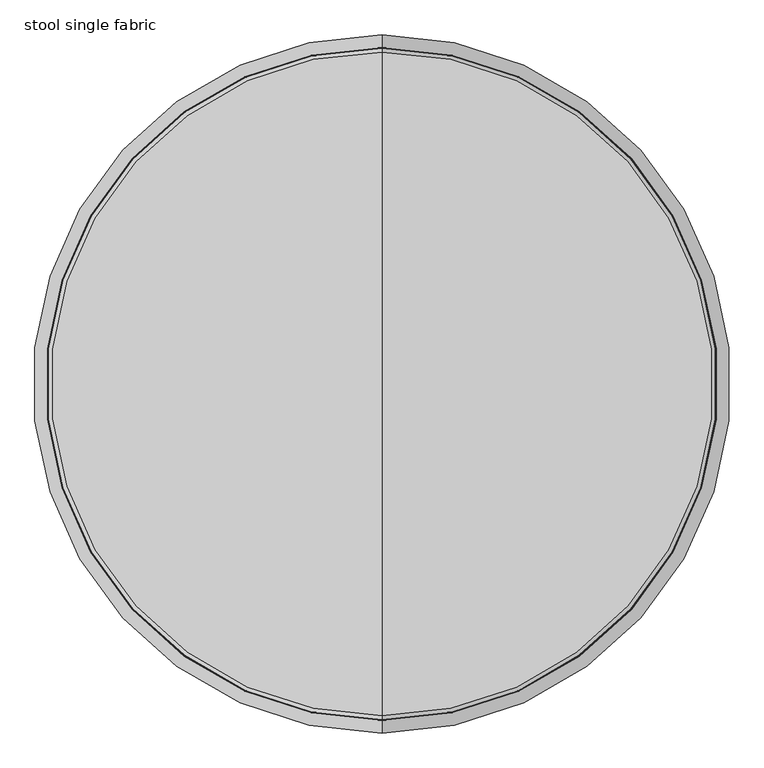
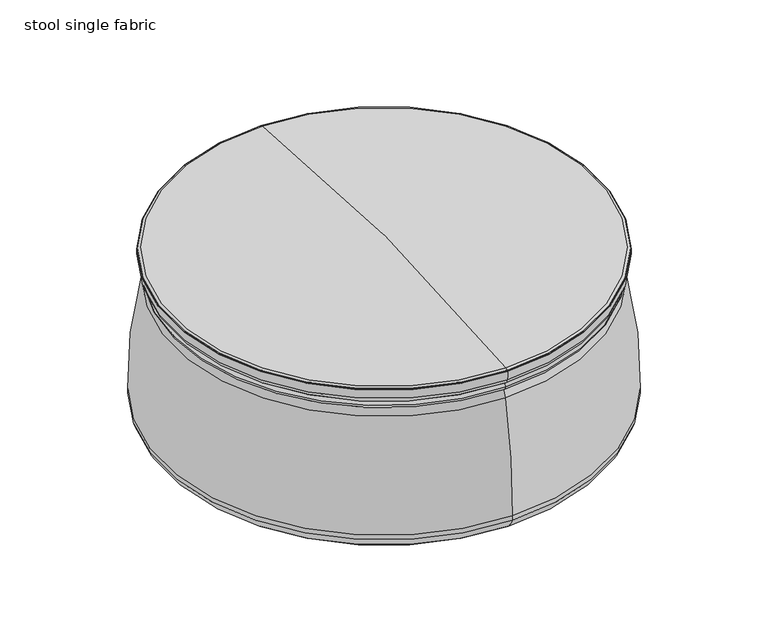
"""IFC4 building model written with IfcOpenShell, lengths in millimetres: furniture geometry, stool single fabric."""

from ifc_helpers import new_model, si_unit, point, frame, origin, place, context, project, spatial, circle_curve, ellipse_curve, trimmed, source, transform, mapped, element, save
from ifc_brep_helpers import plane_surface, cylinder_surface, revolved_surface, advanced_brep


def stool_single_fabric_2f89a8de(model_context):
    return source(origin(), model_context, "Body", "AdvancedBrep", [
        advanced_brep(
        [(0.0, 565.9825558, 401.5956762), (0.0, -565.9825558, 401.5956762), (0.0, -543.9825558, 401.5956762), (0.0, 543.9825558, 401.5956762)],
        [
            (0, 1, circle_curve(frame((0.0, 0.0, 401.5956762), z_axis=(0.0, 0.0, 1.0), x_axis=(0.0, -1.0, 0.0)), 565.9825558)),
            (1, 2, circle_curve(frame((0.0, -554.9825558, 401.5956762), z_axis=(-1.0, 0.0, 0.0), x_axis=(0.0, -1.0, 0.0)), 11.0)),
            (2, 3, circle_curve(frame((0.0, 0.0, 401.5956762), z_axis=(0.0, 0.0, -1.0), x_axis=(0.0, -1.0, 0.0)), 543.9825558)),
            (3, 0, circle_curve(frame((0.0, 554.9825558, 401.5956762), z_axis=(-1.0, 0.0, 0.0), x_axis=(0.0, 1.0, 0.0)), 11.0)),
            (2, 1, circle_curve(frame((0.0, -554.9825558, 401.5956762), z_axis=(-1.0, 0.0, 0.0), x_axis=(0.0, -1.0, 0.0)), 11.0)),
            (0, 3, circle_curve(frame((0.0, 554.9825558, 401.5956762), z_axis=(-1.0, 0.0, 0.0), x_axis=(0.0, 1.0, 0.0)), 11.0)),
            (1, 0, circle_curve(frame((0.0, 0.0, 401.5956762), z_axis=(0.0, 0.0, 1.0), x_axis=(0.0, 1.0, 0.0)), 565.9825558)),
            (3, 2, circle_curve(frame((0.0, 0.0, 401.5956762), z_axis=(0.0, 0.0, -1.0), x_axis=(0.0, 1.0, 0.0)), 543.9825558)),
        ],
        [
            revolved_surface(trimmed(ellipse_curve(frame((0.0, -554.9825558, 401.5956762), z_axis=(1.0, 0.0, 0.0), x_axis=(0.0, -1.0, 0.0)), 11.0, 11.0), [point((0.0, -543.9825558, 401.5956762))], [point((0.0, -565.9825558, 401.5956762))], True, "CARTESIAN"), (0.0, 0.0, 401.5956762), (0.0, 0.0, -1.0)),
            revolved_surface(trimmed(ellipse_curve(frame((0.0, -554.9825558, 401.5956762), z_axis=(1.0, 0.0, 0.0), x_axis=(0.0, -1.0, 0.0)), 11.0, 11.0), [point((0.0, -565.9825558, 401.5956762))], [point((0.0, -543.9825558, 401.5956762))], True, "CARTESIAN"), (0.0, 0.0, 401.5956762), (0.0, 0.0, -1.0)),
            revolved_surface(trimmed(ellipse_curve(frame((0.0, 554.9825558, 401.5956762), z_axis=(-1.0, 0.0, 0.0), x_axis=(0.0, 1.0, 0.0)), 11.0, 11.0), [point((0.0, 543.9825558, 401.5956762))], [point((0.0, 565.9825558, 401.5956762))], True, "CARTESIAN"), (0.0, 0.0, 401.5956762), (0.0, 0.0, -1.0)),
            revolved_surface(trimmed(ellipse_curve(frame((0.0, 554.9825558, 401.5956762), z_axis=(-1.0, 0.0, 0.0), x_axis=(0.0, 1.0, 0.0)), 11.0, 11.0), [point((0.0, 565.9825558, 401.5956762))], [point((0.0, 543.9825558, 401.5956762))], True, "CARTESIAN"), (0.0, 0.0, 401.5956762), (0.0, 0.0, -1.0)),
        ],
        [
            (0, [[1, 2, 3, 4]]),
            (1, [[-3, 5, -1, 6]]),
            (2, [[7, -4, 8, -2]]),
            (3, [[-8, -6, -7, -5]]),
        ],
    ),
        advanced_brep(
        [(0.0, -575.9599953, 454.4403381), (0.0, 575.9599953, 454.4403381), (0.0, 575.4240017, 453.6554914), (0.0, -575.4240017, 453.6554914), (0.0, -575.5264625, 455.452301), (0.0, 575.5264625, 455.452301), (0.0, -568.9184615, 458.2572311), (0.0, 568.9184615, 458.2572311), (0.0, 0.0, 491.5838073), (0.0, -512.9527931, 0.0), (0.0, 512.9527931, 0.0), (0.0, 0.0, 0.0), (0.0, -512.9527931, 2.0), (0.0, 512.9527931, 2.0), (0.0, -492.1535329, 2.0), (0.0, 492.1535329, 2.0), (0.0, -523.8624803, 3.0577143), (0.0, 523.8624803, 3.0577143), (0.0, -560.4983652, 4.6131847), (0.0, 560.4983652, 4.6131847), (0.0, -580.0523537, 13.4710072), (0.0, 580.0523537, 13.4710072), (0.0, -597.6695289, 41.1893311), (0.0, 597.6695289, 41.1893311), (0.0, -598.5997112, 54.4915567), (0.0, 598.5997112, 54.4915567), (0.0, -566.569004, 370.8613281), (0.0, 566.569004, 370.8613281), (0.0, -556.2325783, 388.9906616), (0.0, 556.2325783, 388.9906616), (0.0, -567.1377616, 414.7248691), (0.0, 567.1377616, 414.7248691), (0.0, 559.1639925, 409.0624534), (0.0, -559.1639925, 409.0624534), (0.0, -574.4794044, 427.9695435), (0.0, 574.4794044, 427.9695435), (0.0, -576.7492689, 452.3302242), (0.0, 576.7492689, 452.3302242)],
        [
            (0, 1, circle_curve(frame((0.0, 0.0, 454.4403381), z_axis=(0.0, 0.0, -1.0), x_axis=(0.0, 1.0, 0.0)), 575.9599953)),
            (1, 2, circle_curve(frame((0.0, 575.1173793, 454.4403381), z_axis=(-1.0, 0.0, 0.0), x_axis=(0.0, -1.0, 0.0)), 0.8426159)),
            (2, 3, circle_curve(frame((0.0, 0.0, 453.6554914), z_axis=(0.0, 0.0, 1.0), x_axis=(0.0, 1.0, 0.0)), 575.4240017)),
            (3, 0, circle_curve(frame((0.0, -575.1173793, 454.4403381), z_axis=(-1.0, 0.0, 0.0), x_axis=(0.0, 1.0, 0.0)), 0.8426159)),
            (1, 0, circle_curve(frame((0.0, 0.0, 454.4403381), z_axis=(0.0, 0.0, -1.0), x_axis=(0.0, 1.0, 0.0)), 575.9599953)),
            (3, 2, circle_curve(frame((0.0, 0.0, 453.6554914), z_axis=(0.0, 0.0, 1.0), x_axis=(0.0, 1.0, 0.0)), 575.4240017)),
            (4, 5, circle_curve(frame((0.0, 0.0, 455.452301), z_axis=(0.0, 0.0, -1.0), x_axis=(0.0, 1.0, 0.0)), 575.5264625)),
            (5, 1, circle_curve(frame((0.0, 574.8961794, 454.5834371), z_axis=(-1.0, 0.0, 0.0), x_axis=(0.0, -1.0, 0.0)), 1.0733971)),
            (0, 4, circle_curve(frame((0.0, -574.8961794, 454.5834371), z_axis=(-1.0, 0.0, 0.0), x_axis=(0.0, 1.0, 0.0)), 1.0733971)),
            (5, 4, circle_curve(frame((0.0, 0.0, 455.452301), z_axis=(0.0, 0.0, -1.0), x_axis=(0.0, 1.0, 0.0)), 575.5264625)),
            (6, 7, circle_curve(frame((0.0, 0.0, 458.2572311), z_axis=(0.0, 0.0, -1.0), x_axis=(0.0, 1.0, 0.0)), 568.9184615)),
            (7, 5, circle_curve(frame((0.0, 566.1271078, 442.4950114), z_axis=(-1.0, 0.0, 0.0), x_axis=(0.0, -1.0, 0.0)), 16.007474)),
            (4, 6, circle_curve(frame((0.0, -566.1271078, 442.4950114), z_axis=(-1.0, 0.0, 0.0), x_axis=(0.0, 1.0, 0.0)), 16.007474)),
            (7, 6, circle_curve(frame((0.0, 0.0, 458.2572311), z_axis=(0.0, 0.0, -1.0), x_axis=(0.0, 1.0, 0.0)), 568.9184615)),
            (8, 7, circle_curve(frame((0.0, 0.0, -4381.0870925), z_axis=(-1.0, 0.0, 0.0), x_axis=(0.0, -1.0, 0.0)), 4872.6708998)),
            (6, 8, circle_curve(frame((0.0, 0.0, -4381.0870925), z_axis=(-1.0, 0.0, 0.0), x_axis=(0.0, 1.0, 0.0)), 4872.6708998)),
            (9, 10, circle_curve(frame((0.0, 0.0, 0.0), z_axis=(0.0, 0.0, -1.0), x_axis=(0.0, 1.0, 0.0)), 512.9527931)),
            (10, 11),
            (11, 9),
            (10, 9, circle_curve(frame((0.0, 0.0, 0.0), z_axis=(0.0, 0.0, -1.0), x_axis=(0.0, 1.0, 0.0)), 512.9527931)),
            (12, 13, circle_curve(frame((0.0, 0.0, 2.0), z_axis=(0.0, 0.0, -1.0), x_axis=(0.0, 1.0, 0.0)), 512.9527931)),
            (13, 10),
            (9, 12),
            (13, 12, circle_curve(frame((0.0, 0.0, 2.0), z_axis=(0.0, 0.0, -1.0), x_axis=(0.0, 1.0, 0.0)), 512.9527931)),
            (14, 15, circle_curve(frame((0.0, 0.0, 2.0), z_axis=(0.0, 0.0, -1.0), x_axis=(0.0, 1.0, 0.0)), 492.1535329)),
            (15, 13),
            (12, 14),
            (15, 14, circle_curve(frame((0.0, 0.0, 2.0), z_axis=(0.0, 0.0, -1.0), x_axis=(0.0, 1.0, 0.0)), 492.1535329)),
            (16, 17, circle_curve(frame((0.0, 0.0, 3.0577143), z_axis=(0.0, 0.0, -1.0), x_axis=(0.0, 1.0, 0.0)), 523.8624803)),
            (17, 15, circle_curve(frame((0.0, 449.8133559, 1747.1315161), z_axis=(-1.0, 0.0, 0.0), x_axis=(0.0, -1.0, 0.0)), 1745.6450668)),
            (14, 16, circle_curve(frame((0.0, -449.8133559, 1747.1315161), z_axis=(-1.0, 0.0, 0.0), x_axis=(0.0, 1.0, 0.0)), 1745.6450668)),
            (17, 16, circle_curve(frame((0.0, 0.0, 3.0577143), z_axis=(0.0, 0.0, -1.0), x_axis=(0.0, 1.0, 0.0)), 523.8624803)),
            (18, 19, circle_curve(frame((0.0, 0.0, 4.6131847), z_axis=(0.0, 0.0, -1.0), x_axis=(0.0, 1.0, 0.0)), 560.4983652)),
            (19, 17, circle_curve(frame((0.0, 461.4366626, 1905.5875338), z_axis=(-1.0, 0.0, 0.0), x_axis=(0.0, -1.0, 0.0)), 1903.5537021)),
            (16, 18, circle_curve(frame((0.0, -461.4366626, 1905.5875338), z_axis=(-1.0, 0.0, 0.0), x_axis=(0.0, 1.0, 0.0)), 1903.5537021)),
            (19, 18, circle_curve(frame((0.0, 0.0, 4.6131847), z_axis=(0.0, 0.0, -1.0), x_axis=(0.0, 1.0, 0.0)), 560.4983652)),
            (20, 21, circle_curve(frame((0.0, 0.0, 13.4710072), z_axis=(0.0, 0.0, -1.0), x_axis=(0.0, 1.0, 0.0)), 580.0523537)),
            (21, 19, circle_curve(frame((0.0, 556.9148336, 38.5359774), z_axis=(-1.0, 0.0, 0.0), x_axis=(0.0, -1.0, 0.0)), 34.1115459)),
            (18, 20, circle_curve(frame((0.0, -556.9148336, 38.5359774), z_axis=(-1.0, 0.0, 0.0), x_axis=(0.0, 1.0, 0.0)), 34.1115459)),
            (21, 20, circle_curve(frame((0.0, 0.0, 13.4710072), z_axis=(0.0, 0.0, -1.0), x_axis=(0.0, 1.0, 0.0)), 580.0523537)),
            (22, 23, circle_curve(frame((0.0, 0.0, 41.1893311), z_axis=(0.0, 0.0, -1.0), x_axis=(0.0, 1.0, 0.0)), 597.6695289)),
            (23, 21, circle_curve(frame((0.0, 536.5933246, 60.5503512), z_axis=(-1.0, 0.0, 0.0), x_axis=(0.0, -1.0, 0.0)), 64.0714588)),
            (20, 22, circle_curve(frame((0.0, -536.5933246, 60.5503512), z_axis=(-1.0, 0.0, 0.0), x_axis=(0.0, 1.0, 0.0)), 64.0714588)),
            (23, 22, circle_curve(frame((0.0, 0.0, 41.1893311), z_axis=(0.0, 0.0, -1.0), x_axis=(0.0, 1.0, 0.0)), 597.6695289)),
            (24, 25, circle_curve(frame((0.0, 0.0, 54.4915567), z_axis=(0.0, 0.0, -1.0), x_axis=(0.0, 1.0, 0.0)), 598.5997112)),
            (25, 23, circle_curve(frame((0.0, 532.8520828, 52.4054436), z_axis=(-1.0, 0.0, 0.0), x_axis=(0.0, -1.0, 0.0)), 65.7807153)),
            (22, 24, circle_curve(frame((0.0, -532.8520828, 52.4054436), z_axis=(-1.0, 0.0, 0.0), x_axis=(0.0, 1.0, 0.0)), 65.7807153)),
            (25, 24, circle_curve(frame((0.0, 0.0, 54.4915567), z_axis=(0.0, 0.0, -1.0), x_axis=(0.0, 1.0, 0.0)), 598.5997112)),
            (26, 27, circle_curve(frame((0.0, 0.0, 370.8613281), z_axis=(0.0, 0.0, -1.0), x_axis=(0.0, 1.0, 0.0)), 566.569004)),
            (27, 25, circle_curve(frame((0.0, -780.0551531, 74.7166528), z_axis=(-1.0, 0.0, 0.0), x_axis=(0.0, -1.0, 0.0)), 1378.803209)),
            (24, 26, circle_curve(frame((0.0, 780.0551531, 74.7166528), z_axis=(-1.0, 0.0, 0.0), x_axis=(0.0, 1.0, 0.0)), 1378.803209)),
            (27, 26, circle_curve(frame((0.0, 0.0, 370.8613281), z_axis=(0.0, 0.0, -1.0), x_axis=(0.0, 1.0, 0.0)), 566.569004)),
            (28, 29, circle_curve(frame((0.0, 0.0, 388.9906616), z_axis=(0.0, 0.0, -1.0), x_axis=(0.0, 1.0, 0.0)), 556.2325783)),
            (29, 27, circle_curve(frame((0.0, 532.2737685, 363.319245), z_axis=(-1.0, 0.0, 0.0), x_axis=(0.0, -1.0, 0.0)), 35.1147575)),
            (26, 28, circle_curve(frame((0.0, -532.2737685, 363.319245), z_axis=(-1.0, 0.0, 0.0), x_axis=(0.0, 1.0, 0.0)), 35.1147575)),
            (29, 28, circle_curve(frame((0.0, 0.0, 388.9906616), z_axis=(0.0, 0.0, -1.0), x_axis=(0.0, 1.0, 0.0)), 556.2325783)),
            (30, 31, circle_curve(frame((0.0, 0.0, 414.7248691), z_axis=(0.0, 0.0, -1.0), x_axis=(0.0, 1.0, 0.0)), 567.1377616)),
            (31, 32, circle_curve(frame((0.0, 538.9939326, 445.9112796), z_axis=(-1.0, 0.0, 0.0), x_axis=(0.0, -1.0, 0.0)), 42.0079434)),
            (32, 33, circle_curve(frame((0.0, 0.0, 409.0624534), z_axis=(0.0, 0.0, 1.0), x_axis=(0.0, 1.0, 0.0)), 559.1639925)),
            (33, 30, circle_curve(frame((0.0, -538.9939326, 445.9112796), z_axis=(-1.0, 0.0, 0.0), x_axis=(0.0, 1.0, 0.0)), 42.0079434)),
            (31, 30, circle_curve(frame((0.0, 0.0, 414.7248691), z_axis=(0.0, 0.0, -1.0), x_axis=(0.0, 1.0, 0.0)), 567.1377616)),
            (33, 32, circle_curve(frame((0.0, 0.0, 409.0624534), z_axis=(0.0, 0.0, 1.0), x_axis=(0.0, 1.0, 0.0)), 559.1639925)),
            (34, 35, circle_curve(frame((0.0, 0.0, 427.9695435), z_axis=(0.0, 0.0, -1.0), x_axis=(0.0, 1.0, 0.0)), 574.4794044)),
            (35, 31, circle_curve(frame((0.0, 551.5055505, 432.0470519), z_axis=(-1.0, 0.0, 0.0), x_axis=(0.0, -1.0, 0.0)), 23.3328961)),
            (30, 34, circle_curve(frame((0.0, -551.5055505, 432.0470519), z_axis=(-1.0, 0.0, 0.0), x_axis=(0.0, 1.0, 0.0)), 23.3328961)),
            (35, 34, circle_curve(frame((0.0, 0.0, 427.9695435), z_axis=(0.0, 0.0, -1.0), x_axis=(0.0, 1.0, 0.0)), 574.4794044)),
            (36, 37, circle_curve(frame((0.0, 0.0, 452.3302242), z_axis=(0.0, 0.0, -1.0), x_axis=(0.0, 1.0, 0.0)), 576.7492689)),
            (37, 35, circle_curve(frame((0.0, 501.3396332, 447.0706062), z_axis=(-1.0, 0.0, 0.0), x_axis=(0.0, -1.0, 0.0)), 75.5928352)),
            (34, 36, circle_curve(frame((0.0, -501.3396332, 447.0706062), z_axis=(-1.0, 0.0, 0.0), x_axis=(0.0, 1.0, 0.0)), 75.5928352)),
            (37, 36, circle_curve(frame((0.0, 0.0, 452.3302242), z_axis=(0.0, 0.0, -1.0), x_axis=(0.0, 1.0, 0.0)), 576.7492689)),
            (2, 37, circle_curve(frame((0.0, 575.4240017, 452.3302242), z_axis=(-1.0, 0.0, 0.0), x_axis=(0.0, -1.0, 0.0)), 1.3252672)),
            (36, 3, circle_curve(frame((0.0, -575.4240017, 452.3302242), z_axis=(-1.0, 0.0, 0.0), x_axis=(0.0, 1.0, 0.0)), 1.3252672)),
            (32, 29, circle_curve(frame((0.0, 564.6512423, 398.0111027), z_axis=(1.0, 0.0, 0.0), x_axis=(0.0, -1.0, 0.0)), 12.3386491)),
            (28, 33, circle_curve(frame((0.0, -564.6512423, 398.0111027), z_axis=(1.0, 0.0, 0.0), x_axis=(0.0, 1.0, 0.0)), 12.3386491)),
        ],
        [
            revolved_surface(trimmed(ellipse_curve(frame((0.0, 575.1173793, 454.4403381), z_axis=(1.0, 0.0, 0.0), x_axis=(0.0, -1.0, 0.0)), 0.8426159, 0.8426159), [point((0.0, 575.4240017, 453.6554914))], [point((0.0, 575.9599953, 454.4403381))], True, "CARTESIAN"), (0.0, 0.0, 491.5838073), (0.0, 0.0, 1.0)),
            revolved_surface(trimmed(ellipse_curve(frame((0.0, 574.8961794, 454.5834371), z_axis=(1.0, 0.0, 0.0), x_axis=(0.0, -1.0, 0.0)), 1.0733971, 1.0733971), [point((0.0, 575.9599953, 454.4403381))], [point((0.0, 575.5264625, 455.452301))], True, "CARTESIAN"), (0.0, 0.0, 491.5838073), (0.0, 0.0, 1.0)),
            revolved_surface(trimmed(ellipse_curve(frame((0.0, 566.1271078, 442.4950114), z_axis=(1.0, 0.0, 0.0), x_axis=(0.0, -1.0, 0.0)), 16.007474, 16.007474), [point((0.0, 575.5264625, 455.452301))], [point((0.0, 568.9184615, 458.2572311))], True, "CARTESIAN"), (0.0, 0.0, 491.5838073), (0.0, 0.0, 1.0)),
            revolved_surface(trimmed(ellipse_curve(frame((0.0, 0.0, -4381.0870925), z_axis=(1.0, 0.0, 0.0), x_axis=(0.0, -1.0, 0.0)), 4872.6708998, 4872.6708998), [point((0.0, 568.9184615, 458.2572311))], [point((0.0, 0.0, 491.5838073))], True, "CARTESIAN"), (0.0, 0.0, 491.5838073), (0.0, 0.0, 1.0)),
            plane_surface(frame((0.0, 0.0, 0.0), z_axis=(0.0, 0.0, -1.0), x_axis=(0.0, 1.0, 0.0))),
            cylinder_surface(frame((0.0, 0.0, 491.5838073), z_axis=(0.0, 0.0, 1.0), x_axis=(0.0, 1.0, 0.0)), 512.9527931),
            plane_surface(frame((0.0, 0.0, 2.0), z_axis=(0.0, 0.0, 1.0), x_axis=(0.0, 1.0, 0.0))),
            revolved_surface(trimmed(ellipse_curve(frame((0.0, 449.8133559, 1747.1315161), z_axis=(1.0, 0.0, 0.0), x_axis=(0.0, -1.0, 0.0)), 1745.6450668, 1745.6450668), [point((0.0, 492.1535329, 2.0))], [point((0.0, 523.8624803, 3.0577143))], True, "CARTESIAN"), (0.0, 0.0, 491.5838073), (0.0, 0.0, 1.0)),
            revolved_surface(trimmed(ellipse_curve(frame((0.0, 461.4366626, 1905.5875338), z_axis=(1.0, 0.0, 0.0), x_axis=(0.0, -1.0, 0.0)), 1903.5537021, 1903.5537021), [point((0.0, 523.8624803, 3.0577143))], [point((0.0, 560.4983652, 4.6131847))], True, "CARTESIAN"), (0.0, 0.0, 491.5838073), (0.0, 0.0, 1.0)),
            revolved_surface(trimmed(ellipse_curve(frame((0.0, 556.9148336, 38.5359774), z_axis=(1.0, 0.0, 0.0), x_axis=(0.0, -1.0, 0.0)), 34.1115459, 34.1115459), [point((0.0, 560.4983652, 4.6131847))], [point((0.0, 580.0523537, 13.4710072))], True, "CARTESIAN"), (0.0, 0.0, 491.5838073), (0.0, 0.0, 1.0)),
            revolved_surface(trimmed(ellipse_curve(frame((0.0, 536.5933246, 60.5503512), z_axis=(1.0, 0.0, 0.0), x_axis=(0.0, -1.0, 0.0)), 64.0714588, 64.0714588), [point((0.0, 580.0523537, 13.4710072))], [point((0.0, 597.6695289, 41.1893311))], True, "CARTESIAN"), (0.0, 0.0, 491.5838073), (0.0, 0.0, 1.0)),
            revolved_surface(trimmed(ellipse_curve(frame((0.0, 532.8520828, 52.4054436), z_axis=(1.0, 0.0, 0.0), x_axis=(0.0, -1.0, 0.0)), 65.7807153, 65.7807153), [point((0.0, 597.6695289, 41.1893311))], [point((0.0, 598.5997112, 54.4915567))], True, "CARTESIAN"), (0.0, 0.0, 491.5838073), (0.0, 0.0, 1.0)),
            revolved_surface(trimmed(ellipse_curve(frame((0.0, -780.0551531, 74.7166528), z_axis=(1.0, 0.0, 0.0), x_axis=(0.0, -1.0, 0.0)), 1378.803209, 1378.803209), [point((0.0, 598.5997112, 54.4915567))], [point((0.0, 566.569004, 370.8613281))], True, "CARTESIAN"), (0.0, 0.0, 491.5838073), (0.0, 0.0, 1.0)),
            revolved_surface(trimmed(ellipse_curve(frame((0.0, 532.2737685, 363.319245), z_axis=(1.0, 0.0, 0.0), x_axis=(0.0, -1.0, 0.0)), 35.1147575, 35.1147575), [point((0.0, 566.569004, 370.8613281))], [point((0.0, 556.2325783, 388.9906616))], True, "CARTESIAN"), (0.0, 0.0, 491.5838073), (0.0, 0.0, 1.0)),
            revolved_surface(trimmed(ellipse_curve(frame((0.0, 538.9939326, 445.9112796), z_axis=(1.0, 0.0, 0.0), x_axis=(0.0, -1.0, 0.0)), 42.0079434, 42.0079434), [point((0.0, 559.1639925, 409.0624534))], [point((0.0, 567.1377616, 414.7248691))], True, "CARTESIAN"), (0.0, 0.0, 491.5838073), (0.0, 0.0, 1.0)),
            revolved_surface(trimmed(ellipse_curve(frame((0.0, 551.5055505, 432.0470519), z_axis=(1.0, 0.0, 0.0), x_axis=(0.0, -1.0, 0.0)), 23.3328961, 23.3328961), [point((0.0, 567.1377616, 414.7248691))], [point((0.0, 574.4794044, 427.9695435))], True, "CARTESIAN"), (0.0, 0.0, 491.5838073), (0.0, 0.0, 1.0)),
            revolved_surface(trimmed(ellipse_curve(frame((0.0, 501.3396332, 447.0706062), z_axis=(1.0, 0.0, 0.0), x_axis=(0.0, -1.0, 0.0)), 75.5928352, 75.5928352), [point((0.0, 574.4794044, 427.9695435))], [point((0.0, 576.7492689, 452.3302242))], True, "CARTESIAN"), (0.0, 0.0, 491.5838073), (0.0, 0.0, 1.0)),
            revolved_surface(trimmed(ellipse_curve(frame((0.0, 575.4240017, 452.3302242), z_axis=(1.0, 0.0, 0.0), x_axis=(0.0, -1.0, 0.0)), 1.3252672, 1.3252672), [point((0.0, 576.7492689, 452.3302242))], [point((0.0, 575.4240017, 453.6554914))], True, "CARTESIAN"), (0.0, 0.0, 491.5838073), (0.0, 0.0, 1.0)),
            revolved_surface(trimmed(ellipse_curve(frame((0.0, 564.6512423, 398.0111027), z_axis=(-1.0, 0.0, 0.0), x_axis=(0.0, -1.0, 0.0)), 12.3386491, 12.3386491), [point((0.0, 556.2325783, 388.9906616))], [point((0.0, 559.1639925, 409.0624534))], True, "CARTESIAN"), (0.0, 0.0, 491.5838073), (0.0, 0.0, 1.0)),
        ],
        [
            (0, [[1, 2, 3, 4]]),
            (0, [[5, -4, 6, -2]]),
            (1, [[7, 8, -1, 9]]),
            (1, [[10, -9, -5, -8]]),
            (2, [[11, 12, -7, 13]]),
            (2, [[14, -13, -10, -12]]),
            (3, [[15, -11, 16]]),
            (3, [[-16, -14, -15]]),
            (4, [[17, 18, 19]]),
            (4, [[20, -19, -18]]),
            (5, [[21, 22, -17, 23]]),
            (5, [[24, -23, -20, -22]]),
            (6, [[25, 26, -21, 27]]),
            (6, [[28, -27, -24, -26]]),
            (7, [[29, 30, -25, 31]]),
            (7, [[32, -31, -28, -30]]),
            (8, [[33, 34, -29, 35]]),
            (8, [[36, -35, -32, -34]]),
            (9, [[37, 38, -33, 39]]),
            (9, [[40, -39, -36, -38]]),
            (10, [[41, 42, -37, 43]]),
            (10, [[44, -43, -40, -42]]),
            (11, [[45, 46, -41, 47]]),
            (11, [[48, -47, -44, -46]]),
            (12, [[49, 50, -45, 51]]),
            (12, [[52, -51, -48, -50]]),
            (13, [[53, 54, -49, 55]]),
            (13, [[56, -55, -52, -54]]),
            (14, [[57, 58, 59, 60]]),
            (14, [[61, -60, 62, -58]]),
            (15, [[63, 64, -57, 65]]),
            (15, [[66, -65, -61, -64]]),
            (16, [[67, 68, -63, 69]]),
            (16, [[70, -69, -66, -68]]),
            (17, [[-3, 71, -67, 72]]),
            (17, [[-6, -72, -70, -71]]),
            (18, [[-59, 73, -53, 74]]),
            (18, [[-62, -74, -56, -73]]),
        ],
    ),
    ])


if __name__ == "__main__":
    model = new_model("IFC4")
    model_context = context("Model", 3, world=origin())
    ifc_project = project(units=[si_unit("LENGTHUNIT", "METRE", prefix="MILLI")], contexts=[model_context])
    site = spatial("IfcSite", under=ifc_project)
    building = spatial("IfcBuilding", under=site)
    placement = place(None, origin())
    stool_single_fabric_shape = stool_single_fabric_2f89a8de(model_context)
    element("IfcFurniture", 1, ObjectType="stool single fabric", at=placement, inside=building, context=model_context, shape_type="MappedRepresentation", body=[
        mapped(stool_single_fabric_shape, transform((0.0, 0.0, 0.0), x_axis=(1.0, 0.0, 0.0), y_axis=(0.0, 1.0, 0.0), z_axis=(0.0, 0.0, 1.0))),
    ])
    save(model, "model.ifc")
